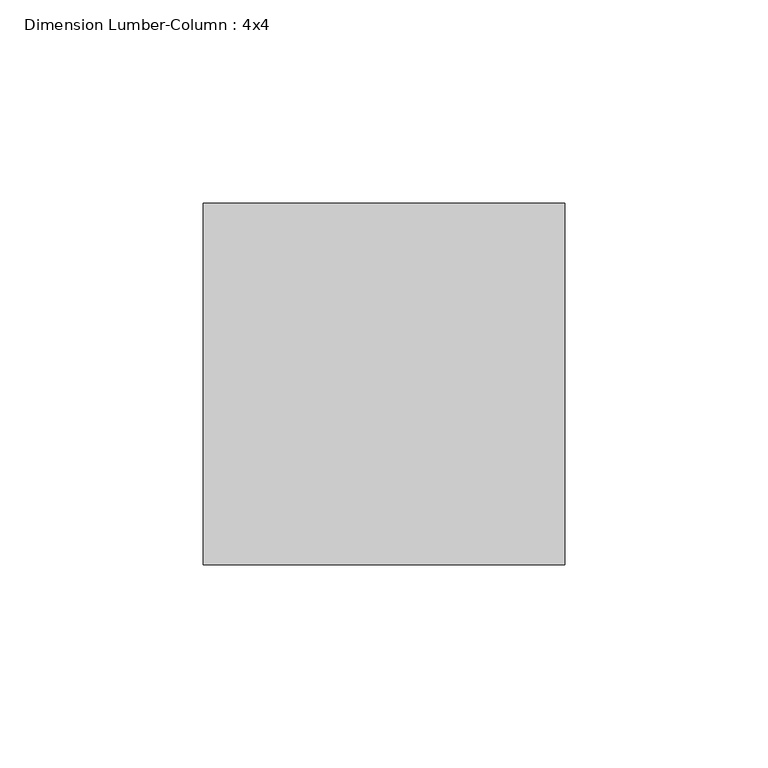
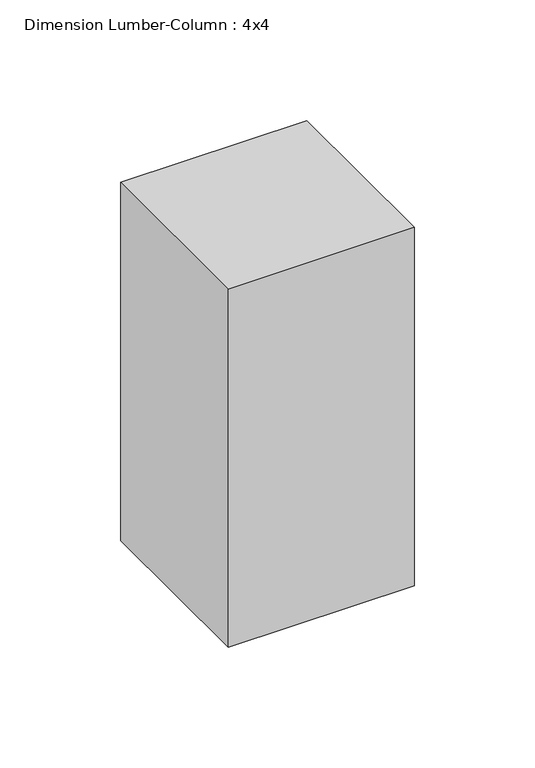
"""IFC4 building model written with IfcOpenShell, lengths in millimetres: column geometry, Dimension Lumber-Column : 4x4."""

import ifcopenshell
import ifcopenshell.guid

model = None  # the IFC model being written
_history = None  # IfcOwnerHistory: only IFC2X3 demands one
_inside = {}  # id of a spatial element -> (the spatial element, [elements in it])
_under = {}  # id of a project, library or spatial element -> (it, [spatial elements below it])
_declared = {}  # id of a project -> (the project, [libraries it declares])
_typed = {}  # id of a type object -> (the type object, [elements of that type])
_made_of = {}  # id of a material, layer set ... -> (it, [elements and type objects made of it])


def new_model(schema):
    """Start an empty IFC model of exactly this schema.

    Asked for "IFC4X3", IfcOpenShell would pick the latest addendum, in which some entities
    have other attributes; the version numbers below select the first issue.
    IFC2X3 requires an IfcOwnerHistory on every rooted entity: one is made here for all.
    """
    global model, _history
    if schema == "IFC4X3":
        model = ifcopenshell.file(schema_version=(4, 3, 0, 0))
    else:
        model = ifcopenshell.file(schema=schema)
    _inside.clear()
    _under.clear()
    _declared.clear()
    _typed.clear()
    _made_of.clear()
    _history = None
    if model.schema == "IFC2X3":
        org = make("IfcOrganization", Name="unknown")
        user = make(
            "IfcPersonAndOrganization",
            ThePerson=make("IfcPerson", FamilyName="unknown"),
            TheOrganization=org,
        )
        app = make(
            "IfcApplication",
            ApplicationDeveloper=org,
            Version="unknown",
            ApplicationFullName="unknown",
            ApplicationIdentifier="unknown",
        )
        _history = make(
            "IfcOwnerHistory",
            OwningUser=user,
            OwningApplication=app,
            ChangeAction="ADDED",
            CreationDate=0,
        )
    return model


def make(cls, **values):
    """One entity of the class cls with the attributes given. An attribute that is None is left unset."""
    return model.create_entity(
        cls, **{name: value for name, value in values.items() if value is not None}
    )


def rooted(cls, **values):
    """An entity with a GlobalId (a new one), such as an element, a storey or a relation."""
    return make(cls, GlobalId=ifcopenshell.guid.new(), OwnerHistory=_history, **values)


def si_unit(unit_type, name, prefix=None):
    """IfcSIUnit, for example si_unit("LENGTHUNIT", "METRE", prefix="MILLI")."""
    return make("IfcSIUnit", UnitType=unit_type, Prefix=prefix, Name=name)


def assignment(units):
    """IfcUnitAssignment: the units of a project."""
    return None if units is None else make("IfcUnitAssignment", Units=units)


def point(xyz):
    """IfcCartesianPoint."""
    return None if xyz is None else make("IfcCartesianPoint", Coordinates=xyz)


def direction(xyz):
    """IfcDirection."""
    return None if xyz is None else make("IfcDirection", DirectionRatios=xyz)


def frame(location, z_axis=None, x_axis=None):
    """IfcAxis2Placement3D, a coordinate frame: its origin and axes. An axis left out is left unset."""
    return make(
        "IfcAxis2Placement3D",
        Location=point(location),
        Axis=direction(z_axis),
        RefDirection=direction(x_axis),
    )


def origin():
    """The frame at (0, 0, 0) with its axes left unset."""
    return frame((0.0, 0.0, 0.0))


def place(relative_to, where):
    """IfcLocalPlacement: puts the frame where relative to a parent placement (None: the world)."""
    return make(
        "IfcLocalPlacement", PlacementRelTo=relative_to, RelativePlacement=where
    )


def context(
    kind, dimensions, precision=None, world=None, true_north=None, identifier=None
):
    """IfcGeometricRepresentationContext, for example the 3D "Model" context."""
    return make(
        "IfcGeometricRepresentationContext",
        ContextIdentifier=identifier,
        ContextType=kind,
        CoordinateSpaceDimension=dimensions,
        Precision=precision,
        WorldCoordinateSystem=world,
        TrueNorth=true_north,
    )


def project(units=None, contexts=None):
    """IfcProject with its units and contexts."""
    return rooted(
        "IfcProject",
        Name="project",
        RepresentationContexts=contexts,
        UnitsInContext=assignment(units),
    )


def spatial(cls, under=None, at=None, **own):
    """A site, building, storey or space (cls), placed at a placement, below another one or the project."""
    s = rooted(cls, ObjectPlacement=at, **own)
    if under is not None:
        _under.setdefault(under.id(), (under, []))[1].append(s)
    return s


def polyline(points):
    """IfcPolyline through the points."""
    return make("IfcPolyline", Points=[point(p) for p in points])


def outline(outer, holes=None, kind="AREA"):
    """IfcArbitraryClosedProfileDef: a profile drawn as a closed curve; with holes, ...WithVoids."""
    if holes is None:
        return make("IfcArbitraryClosedProfileDef", ProfileType=kind, OuterCurve=outer)
    return make(
        "IfcArbitraryProfileDefWithVoids",
        ProfileType=kind,
        OuterCurve=outer,
        InnerCurves=holes,
    )


def extrude(swept, where, along, depth):
    """IfcExtrudedAreaSolid: the profile swept, set in the frame where, extruded along a direction by depth."""
    return make(
        "IfcExtrudedAreaSolid",
        SweptArea=swept,
        Position=where,
        ExtrudedDirection=direction(along),
        Depth=depth,
    )


def shape(context_of_items, identifier, shape_type, items):
    """IfcShapeRepresentation: the items that make up one representation, for example the "Body"."""
    return make(
        "IfcShapeRepresentation",
        ContextOfItems=context_of_items,
        RepresentationIdentifier=identifier,
        RepresentationType=shape_type,
        Items=items,
    )


def source(mapping_origin, context_of_items, identifier, shape_type, items):
    """IfcRepresentationMap: a shape defined once, which mapped items show again and again."""
    return make(
        "IfcRepresentationMap",
        MappingOrigin=mapping_origin,
        MappedRepresentation=shape(context_of_items, identifier, shape_type, items),
    )


def transform(
    local_origin,
    x_axis=None,
    y_axis=None,
    z_axis=None,
    scale=None,
    scale2=None,
    scale3=None,
    uniform=True,
):
    """IfcCartesianTransformationOperator3D, or its non-uniform kind. x_axis, y_axis, z_axis: its Axis1, 2, 3."""
    if uniform:
        return make(
            "IfcCartesianTransformationOperator3D",
            Axis1=direction(x_axis),
            Axis2=direction(y_axis),
            LocalOrigin=point(local_origin),
            Scale=scale,
            Axis3=direction(z_axis),
        )
    return make(
        "IfcCartesianTransformationOperator3DnonUniform",
        Axis1=direction(x_axis),
        Axis2=direction(y_axis),
        LocalOrigin=point(local_origin),
        Scale=scale,
        Axis3=direction(z_axis),
        Scale2=scale2,
        Scale3=scale3,
    )


def mapped(mapping_source, mapping_target):
    """IfcMappedItem: shows the shape of a source again, moved by a transform."""
    return make(
        "IfcMappedItem", MappingSource=mapping_source, MappingTarget=mapping_target
    )


def made_of(thing, what):
    """Note that an element or type object is made of a material, layer set ...; save() writes the relation."""
    if what is not None:
        _made_of.setdefault(what.id(), (what, []))[1].append(thing)
    return thing


def element(
    cls,
    number,
    at=None,
    inside=None,
    cuts=None,
    type_object=None,
    material=None,
    context=None,
    identifier="Body",
    shape_type=None,
    held_by="IfcProductDefinitionShape",
    body=None,
    shapes=None,
    **own,
):
    """One element of the class cls, such as IfcWall. Its Tag is "e" and its number.

    at: its placement. inside: the storey or other place that contains it. cuts: it is an
    opening in that element (IfcRelVoidsElement). A single representation is given by context,
    identifier, shape_type and body (its items); several are given by shapes. held_by: the class
    of the entity that holds the representations. save() writes the other relations.
    """
    e = rooted(cls, Tag="e%d" % number, ObjectPlacement=at, **own)
    if body is not None:
        shapes = [shape(context, identifier, shape_type, body)]
    if shapes is not None:
        e.Representation = make(held_by, Representations=shapes)
    if inside is not None:
        _inside.setdefault(inside.id(), (inside, []))[1].append(e)
    if cuts is not None:
        rooted(
            "IfcRelVoidsElement", RelatingBuildingElement=cuts, RelatedOpeningElement=e
        )
    if type_object is not None:
        _typed.setdefault(type_object.id(), (type_object, []))[1].append(e)
    return made_of(e, material)


def aggregate(whole, parts):
    """IfcRelAggregates: a whole, such as a stair, and the parts it consists of."""
    return rooted("IfcRelAggregates", RelatingObject=whole, RelatedObjects=parts)


def save(model, path):
    """Write the relations noted so far, then the file.

    IfcRelAggregates (storeys below a building ...), IfcRelContainedInSpatialStructure (elements
    in a storey), IfcRelDefinesByType, IfcRelAssociatesMaterial and IfcRelDeclares: one each for
    every whole, place, type object, material and project.
    """
    for whole, parts in _under.values():
        aggregate(whole, parts)
    for where, things in _inside.values():
        rooted(
            "IfcRelContainedInSpatialStructure",
            RelatedElements=things,
            RelatingStructure=where,
        )
    for kind, things in _typed.values():
        rooted("IfcRelDefinesByType", RelatedObjects=things, RelatingType=kind)
    for what, things in _made_of.values():
        rooted("IfcRelAssociatesMaterial", RelatedObjects=things, RelatingMaterial=what)
    for by, libraries in _declared.values():
        rooted("IfcRelDeclares", RelatingContext=by, RelatedDefinitions=libraries)
    model.write(path)


def dimension_lumber_column_4x4_c349c63d(model_context):
    return source(origin(), model_context, "Body", "SweptSolid", [
        extrude(outline(polyline([(44.45, 44.45), (44.45, -44.45), (-44.45, -44.45), (-44.45, 44.45), (44.45, 44.45)])), frame((0.0, 0.0, -539.75), z_axis=(0.0, 0.0, 1.0), x_axis=(1.0, 0.0, 0.0)), (0.0, 0.0, 1.0), 180.975),
    ])


if __name__ == "__main__":
    model = new_model("IFC4")
    model_context = context("Model", 3, world=origin())
    ifc_project = project(units=[si_unit("LENGTHUNIT", "METRE", prefix="MILLI")], contexts=[model_context])
    site = spatial("IfcSite", under=ifc_project)
    building = spatial("IfcBuilding", under=site)
    placement = place(None, origin())
    dimension_lumber_column_4x4_shape = dimension_lumber_column_4x4_c349c63d(model_context)
    element("IfcColumn", 1, ObjectType="Dimension Lumber-Column : 4x4", at=placement, inside=building, context=model_context, shape_type="MappedRepresentation", body=[
        mapped(dimension_lumber_column_4x4_shape, transform((0.0, 0.0, 0.0), x_axis=(1.0, 0.0, 0.0), y_axis=(0.0, 1.0, 0.0), z_axis=(0.0, 0.0, 1.0))),
    ])
    save(model, "model.ifc")
